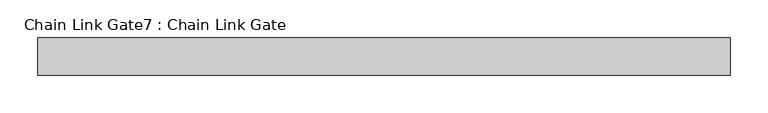
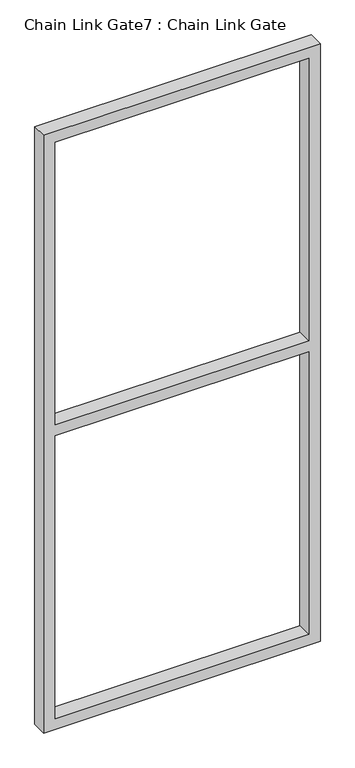
"""IFC4 building model written with IfcOpenShell, lengths in millimetres: proxy geometry, Chain Link Gate7 : Chain Link Gate."""

from ifc_helpers import new_model, si_unit, frame, origin, place, context, project, spatial, polyline, outline, extrude, source, transform, mapped, element, save


def chain_link_gate7_chain_link_gate_da45f63e(model_context):
    return source(origin(), model_context, "Body", "SweptSolid", [
        extrude(outline(polyline([(2120.9, -27281.5618371), (12.7, -27281.5618371), (12.7, -26357.6368371), (2120.9, -26357.6368371), (2120.9, -27281.5618371)]), holes=[polyline([(2082.8, -27243.4618371), (2082.8, -26395.7368371), (1085.85, -26395.7368371), (1085.85, -27243.4618371), (2082.8, -27243.4618371)]), polyline([(1047.75, -26395.7368371), (50.8, -26395.7368371), (50.8, -27243.4618371), (1047.75, -27243.4618371), (1047.75, -26395.7368371)])]), frame((0.0, 726.8706482, 0.0), z_axis=(0.0, 1.0, 0.0), x_axis=(0.0, 0.0, 1.0)), (0.0, 0.0, 1.0), 50.1314753),
    ])


if __name__ == "__main__":
    model = new_model("IFC4")
    model_context = context("Model", 3, world=origin())
    ifc_project = project(units=[si_unit("LENGTHUNIT", "METRE", prefix="MILLI")], contexts=[model_context])
    site = spatial("IfcSite", under=ifc_project)
    building = spatial("IfcBuilding", under=site)
    placement = place(None, origin())
    chain_link_gate7_chain_link_gate_shape = chain_link_gate7_chain_link_gate_da45f63e(model_context)
    element("IfcBuildingElementProxy", 1, Name="Chain Link Gate7 : Chain Link Gate", ObjectType="Chain Link Gate7 : Chain Link Gate", at=placement, inside=building, context=model_context, shape_type="MappedRepresentation", body=[
        mapped(chain_link_gate7_chain_link_gate_shape, transform((0.0, 0.0, 0.0), x_axis=(1.0, 0.0, 0.0), y_axis=(0.0, 1.0, 0.0), z_axis=(0.0, 0.0, 1.0))),
    ])
    save(model, "model.ifc")
